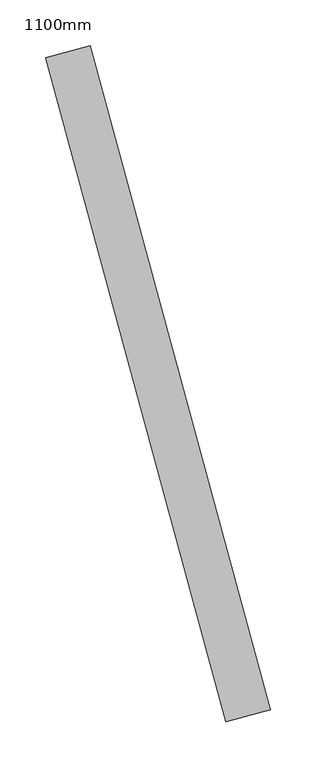
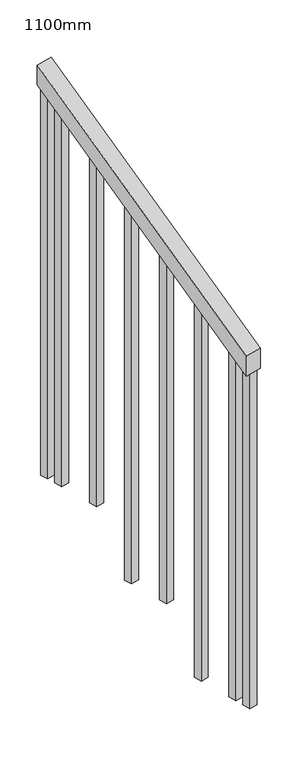
"""IFC4 building model written with IfcOpenShell, lengths in millimetres: railing geometry, 1100mm."""

from ifc_helpers import new_model, si_unit, frame, origin, place, context, project, spatial, polyline, outline, extrude, source, transform, mapped, element, save


def railing_1100mm_6aeeb5f9(model_context):
    return source(origin(), model_context, "Body", "SweptSolid", [
        extrude(outline(polyline([(-35.5555555, -50.0), (0.0, 0.0), (920.2958462, 0.0), (884.7402906, -50.0), (-35.5555555, -50.0)])), frame((113586.3737458, -92733.7541607, 1277.7777778), z_axis=(0.9649894123601794, 0.2622888370342049, 0.0), x_axis=(-0.21375368431596972, 0.786423259755395, 0.5795237863600143)), (0.0, 0.0, 1.0), 50.0),
        extrude(outline(polyline([(108.8888889, 0.0), (91.1111112, 25.0), (1271.980277, 25.0), (1271.980277, 0.0), (108.8888889, 0.0)])), frame((113421.3911484, -92079.1076969, 1805.3136103), z_axis=(0.9649894123601821, 0.2622888370341949, 0.0), x_axis=(0.0, 0.0, -1.0)), (0.0, 0.0, 1.0), 25.0),
        extrude(outline(polyline([(108.8888889, 0.0), (91.1111111, 25.0), (1183.0913881, 25.0), (1183.0913881, 0.0), (108.8888889, 0.0)])), frame((113454.1772531, -92199.7313734, 1716.4247214), z_axis=(0.9649894123601821, 0.2622888370341949, 0.0), x_axis=(0.0, 0.0, -1.0)), (0.0, 0.0, 1.0), 25.0),
        extrude(outline(polyline([(108.8888889, 0.0), (91.1111111, 25.0), (1271.9802769, 25.0), (1271.9802769, 0.0), (108.8888889, 0.0)])), frame((113486.9633577, -92320.35505, 1627.5358325), z_axis=(0.9649894123601821, 0.2622888370341949, 0.0), x_axis=(0.0, 0.0, -1.0)), (0.0, 0.0, 1.0), 25.0),
        extrude(outline(polyline([(108.8888889, 0.0), (91.1111111, 25.0), (1183.091388, 25.0), (1183.091388, 0.0), (108.8888889, 0.0)])), frame((113519.7494623, -92440.9787265, 1538.6469436), z_axis=(0.9649894123601821, 0.2622888370341949, 0.0), x_axis=(0.0, 0.0, -1.0)), (0.0, 0.0, 1.0), 25.0),
        extrude(outline(polyline([(108.8888889, 0.0), (91.1111111, 25.0), (1271.9802769, 25.0), (1271.9802769, 0.0), (108.8888889, 0.0)])), frame((113552.535567, -92561.602403, 1449.7580547), z_axis=(0.9649894123601821, 0.2622888370341949, 0.0), x_axis=(0.0, 0.0, -1.0)), (0.0, 0.0, 1.0), 25.0),
        extrude(outline(polyline([(108.8888889, 0.0), (91.1111111, 25.0), (1183.091388, 25.0), (1183.091388, 0.0), (108.8888889, 0.0)])), frame((113585.3216716, -92682.2260796, 1360.8691658), z_axis=(0.9649894123601821, 0.2622888370341949, 0.0), x_axis=(0.0, 0.0, -1.0)), (0.0, 0.0, 1.0), 25.0),
        extrude(outline(polyline([(108.8888889, 0.0), (91.1111111, 25.0000001), (1307.5358325, 25.0000001), (1307.5358325, 0.0), (108.8888889, 0.0)])), frame((113408.2767066, -92030.8582263, 1840.8691658), z_axis=(0.9649894123601821, 0.2622888370341949, 0.0), x_axis=(0.0, 0.0, -1.0)), (0.0, 0.0, 1.0), 25.0),
        extrude(outline(polyline([(108.8888889, 0.0), (91.1111112, 25.0), (1147.5358325, 25.0), (1147.5358325, 0.0), (108.8888889, 0.0)])), frame((113598.4361134, -92730.4755502, 1325.3136103), z_axis=(0.9649894123601821, 0.2622888370341949, 0.0), x_axis=(0.0, 0.0, -1.0)), (0.0, 0.0, 1.0), 25.0),
    ])


if __name__ == "__main__":
    model = new_model("IFC4")
    model_context = context("Model", 3, world=origin())
    ifc_project = project(units=[si_unit("LENGTHUNIT", "METRE", prefix="MILLI")], contexts=[model_context])
    site = spatial("IfcSite", under=ifc_project)
    building = spatial("IfcBuilding", under=site)
    placement = place(None, origin())
    railing_1100mm_shape = railing_1100mm_6aeeb5f9(model_context)
    element("IfcRailing", 1, ObjectType="1100mm", at=placement, inside=building, context=model_context, shape_type="MappedRepresentation", body=[
        mapped(railing_1100mm_shape, transform((0.0, 0.0, 0.0), x_axis=(1.0, 0.0, 0.0), y_axis=(0.0, 1.0, 0.0), z_axis=(0.0, 0.0, 1.0))),
    ])
    save(model, "model.ifc")
